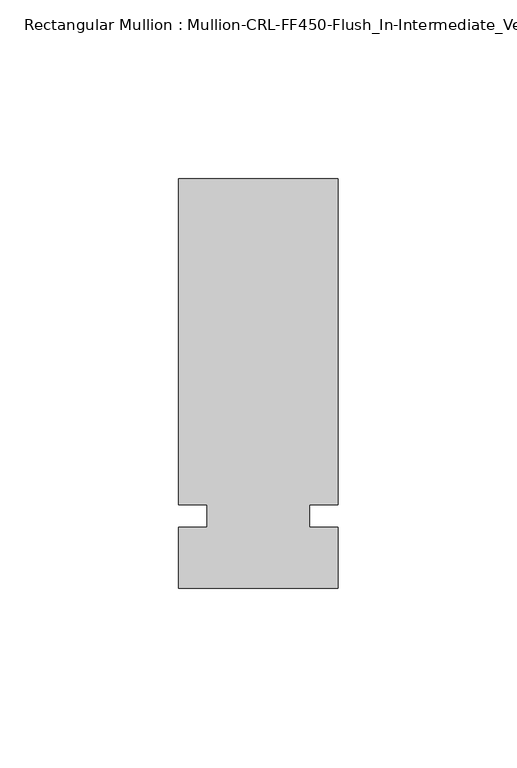
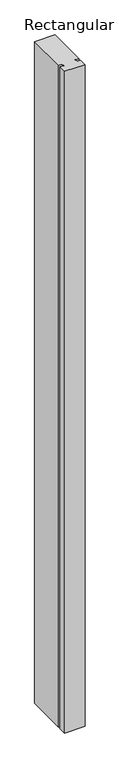
"""IFC4 building model written with IfcOpenShell, lengths in millimetres: member geometry, Rectangular Mullion : Mullion-CRL-FF450-Flush_In-Intermediate_Vertical."""

import ifcopenshell
import ifcopenshell.guid

model = None  # the IFC model being written
_history = None  # IfcOwnerHistory: only IFC2X3 demands one
_inside = {}  # id of a spatial element -> (the spatial element, [elements in it])
_under = {}  # id of a project, library or spatial element -> (it, [spatial elements below it])
_declared = {}  # id of a project -> (the project, [libraries it declares])
_typed = {}  # id of a type object -> (the type object, [elements of that type])
_made_of = {}  # id of a material, layer set ... -> (it, [elements and type objects made of it])


def new_model(schema):
    """Start an empty IFC model of exactly this schema.

    Asked for "IFC4X3", IfcOpenShell would pick the latest addendum, in which some entities
    have other attributes; the version numbers below select the first issue.
    IFC2X3 requires an IfcOwnerHistory on every rooted entity: one is made here for all.
    """
    global model, _history
    if schema == "IFC4X3":
        model = ifcopenshell.file(schema_version=(4, 3, 0, 0))
    else:
        model = ifcopenshell.file(schema=schema)
    _inside.clear()
    _under.clear()
    _declared.clear()
    _typed.clear()
    _made_of.clear()
    _history = None
    if model.schema == "IFC2X3":
        org = make("IfcOrganization", Name="unknown")
        user = make(
            "IfcPersonAndOrganization",
            ThePerson=make("IfcPerson", FamilyName="unknown"),
            TheOrganization=org,
        )
        app = make(
            "IfcApplication",
            ApplicationDeveloper=org,
            Version="unknown",
            ApplicationFullName="unknown",
            ApplicationIdentifier="unknown",
        )
        _history = make(
            "IfcOwnerHistory",
            OwningUser=user,
            OwningApplication=app,
            ChangeAction="ADDED",
            CreationDate=0,
        )
    return model


def make(cls, **values):
    """One entity of the class cls with the attributes given. An attribute that is None is left unset."""
    return model.create_entity(
        cls, **{name: value for name, value in values.items() if value is not None}
    )


def rooted(cls, **values):
    """An entity with a GlobalId (a new one), such as an element, a storey or a relation."""
    return make(cls, GlobalId=ifcopenshell.guid.new(), OwnerHistory=_history, **values)


def si_unit(unit_type, name, prefix=None):
    """IfcSIUnit, for example si_unit("LENGTHUNIT", "METRE", prefix="MILLI")."""
    return make("IfcSIUnit", UnitType=unit_type, Prefix=prefix, Name=name)


def assignment(units):
    """IfcUnitAssignment: the units of a project."""
    return None if units is None else make("IfcUnitAssignment", Units=units)


def point(xyz):
    """IfcCartesianPoint."""
    return None if xyz is None else make("IfcCartesianPoint", Coordinates=xyz)


def direction(xyz):
    """IfcDirection."""
    return None if xyz is None else make("IfcDirection", DirectionRatios=xyz)


def frame(location, z_axis=None, x_axis=None):
    """IfcAxis2Placement3D, a coordinate frame: its origin and axes. An axis left out is left unset."""
    return make(
        "IfcAxis2Placement3D",
        Location=point(location),
        Axis=direction(z_axis),
        RefDirection=direction(x_axis),
    )


def origin():
    """The frame at (0, 0, 0) with its axes left unset."""
    return frame((0.0, 0.0, 0.0))


def place(relative_to, where):
    """IfcLocalPlacement: puts the frame where relative to a parent placement (None: the world)."""
    return make(
        "IfcLocalPlacement", PlacementRelTo=relative_to, RelativePlacement=where
    )


def context(
    kind, dimensions, precision=None, world=None, true_north=None, identifier=None
):
    """IfcGeometricRepresentationContext, for example the 3D "Model" context."""
    return make(
        "IfcGeometricRepresentationContext",
        ContextIdentifier=identifier,
        ContextType=kind,
        CoordinateSpaceDimension=dimensions,
        Precision=precision,
        WorldCoordinateSystem=world,
        TrueNorth=true_north,
    )


def project(units=None, contexts=None):
    """IfcProject with its units and contexts."""
    return rooted(
        "IfcProject",
        Name="project",
        RepresentationContexts=contexts,
        UnitsInContext=assignment(units),
    )


def spatial(cls, under=None, at=None, **own):
    """A site, building, storey or space (cls), placed at a placement, below another one or the project."""
    s = rooted(cls, ObjectPlacement=at, **own)
    if under is not None:
        _under.setdefault(under.id(), (under, []))[1].append(s)
    return s


def polyline(points):
    """IfcPolyline through the points."""
    return make("IfcPolyline", Points=[point(p) for p in points])


def outline(outer, holes=None, kind="AREA"):
    """IfcArbitraryClosedProfileDef: a profile drawn as a closed curve; with holes, ...WithVoids."""
    if holes is None:
        return make("IfcArbitraryClosedProfileDef", ProfileType=kind, OuterCurve=outer)
    return make(
        "IfcArbitraryProfileDefWithVoids",
        ProfileType=kind,
        OuterCurve=outer,
        InnerCurves=holes,
    )


def extrude(swept, where, along, depth):
    """IfcExtrudedAreaSolid: the profile swept, set in the frame where, extruded along a direction by depth."""
    return make(
        "IfcExtrudedAreaSolid",
        SweptArea=swept,
        Position=where,
        ExtrudedDirection=direction(along),
        Depth=depth,
    )


def shape(context_of_items, identifier, shape_type, items):
    """IfcShapeRepresentation: the items that make up one representation, for example the "Body"."""
    return make(
        "IfcShapeRepresentation",
        ContextOfItems=context_of_items,
        RepresentationIdentifier=identifier,
        RepresentationType=shape_type,
        Items=items,
    )


def source(mapping_origin, context_of_items, identifier, shape_type, items):
    """IfcRepresentationMap: a shape defined once, which mapped items show again and again."""
    return make(
        "IfcRepresentationMap",
        MappingOrigin=mapping_origin,
        MappedRepresentation=shape(context_of_items, identifier, shape_type, items),
    )


def transform(
    local_origin,
    x_axis=None,
    y_axis=None,
    z_axis=None,
    scale=None,
    scale2=None,
    scale3=None,
    uniform=True,
):
    """IfcCartesianTransformationOperator3D, or its non-uniform kind. x_axis, y_axis, z_axis: its Axis1, 2, 3."""
    if uniform:
        return make(
            "IfcCartesianTransformationOperator3D",
            Axis1=direction(x_axis),
            Axis2=direction(y_axis),
            LocalOrigin=point(local_origin),
            Scale=scale,
            Axis3=direction(z_axis),
        )
    return make(
        "IfcCartesianTransformationOperator3DnonUniform",
        Axis1=direction(x_axis),
        Axis2=direction(y_axis),
        LocalOrigin=point(local_origin),
        Scale=scale,
        Axis3=direction(z_axis),
        Scale2=scale2,
        Scale3=scale3,
    )


def mapped(mapping_source, mapping_target):
    """IfcMappedItem: shows the shape of a source again, moved by a transform."""
    return make(
        "IfcMappedItem", MappingSource=mapping_source, MappingTarget=mapping_target
    )


def made_of(thing, what):
    """Note that an element or type object is made of a material, layer set ...; save() writes the relation."""
    if what is not None:
        _made_of.setdefault(what.id(), (what, []))[1].append(thing)
    return thing


def element(
    cls,
    number,
    at=None,
    inside=None,
    cuts=None,
    type_object=None,
    material=None,
    context=None,
    identifier="Body",
    shape_type=None,
    held_by="IfcProductDefinitionShape",
    body=None,
    shapes=None,
    **own,
):
    """One element of the class cls, such as IfcWall. Its Tag is "e" and its number.

    at: its placement. inside: the storey or other place that contains it. cuts: it is an
    opening in that element (IfcRelVoidsElement). A single representation is given by context,
    identifier, shape_type and body (its items); several are given by shapes. held_by: the class
    of the entity that holds the representations. save() writes the other relations.
    """
    e = rooted(cls, Tag="e%d" % number, ObjectPlacement=at, **own)
    if body is not None:
        shapes = [shape(context, identifier, shape_type, body)]
    if shapes is not None:
        e.Representation = make(held_by, Representations=shapes)
    if inside is not None:
        _inside.setdefault(inside.id(), (inside, []))[1].append(e)
    if cuts is not None:
        rooted(
            "IfcRelVoidsElement", RelatingBuildingElement=cuts, RelatedOpeningElement=e
        )
    if type_object is not None:
        _typed.setdefault(type_object.id(), (type_object, []))[1].append(e)
    return made_of(e, material)


def aggregate(whole, parts):
    """IfcRelAggregates: a whole, such as a stair, and the parts it consists of."""
    return rooted("IfcRelAggregates", RelatingObject=whole, RelatedObjects=parts)


def save(model, path):
    """Write the relations noted so far, then the file.

    IfcRelAggregates (storeys below a building ...), IfcRelContainedInSpatialStructure (elements
    in a storey), IfcRelDefinesByType, IfcRelAssociatesMaterial and IfcRelDeclares: one each for
    every whole, place, type object, material and project.
    """
    for whole, parts in _under.values():
        aggregate(whole, parts)
    for where, things in _inside.values():
        rooted(
            "IfcRelContainedInSpatialStructure",
            RelatedElements=things,
            RelatingStructure=where,
        )
    for kind, things in _typed.values():
        rooted("IfcRelDefinesByType", RelatedObjects=things, RelatingType=kind)
    for what, things in _made_of.values():
        rooted("IfcRelAssociatesMaterial", RelatedObjects=things, RelatingMaterial=what)
    for by, libraries in _declared.values():
        rooted("IfcRelDeclares", RelatingContext=by, RelatedDefinitions=libraries)
    model.write(path)


def rectangular_mullion_mullion_crl_ff450_flush_in_intermediate_c83cd4e4(model_context):
    return source(origin(), model_context, "Body", "SweptSolid", [
        extrude(outline(polyline([(-22.2250604, 3.1944088), (-22.2250604, 94.1780025), (22.2249797, 94.1780025), (22.2249797, 3.1944088), (14.2874797, 3.1944088), (14.2874797, -3.1555912), (22.2249797, -3.1555912), (22.2249797, -20.1219975), (-22.2250604, -20.1219975), (-22.2250604, -3.1555912), (-14.2875604, -3.1555912), (-14.2875604, 3.1944088), (-22.2250604, 3.1944088)])), frame((0.0, 0.0, -1538.2875), z_axis=(0.0, 0.0, 1.0), x_axis=(1.0, 0.0, 0.0)), (0.0, 0.0, 1.0), 1538.2875),
    ])


if __name__ == "__main__":
    model = new_model("IFC4")
    model_context = context("Model", 3, world=origin())
    ifc_project = project(units=[si_unit("LENGTHUNIT", "METRE", prefix="MILLI")], contexts=[model_context])
    site = spatial("IfcSite", under=ifc_project)
    building = spatial("IfcBuilding", under=site)
    placement = place(None, origin())
    rectangular_mullion_mullion_crl_ff450_flush_in_intermediate_shape = rectangular_mullion_mullion_crl_ff450_flush_in_intermediate_c83cd4e4(model_context)
    element("IfcMember", 1, ObjectType="Rectangular Mullion : Mullion-CRL-FF450-Flush_In-Intermediate_Vertical", at=placement, inside=building, context=model_context, shape_type="MappedRepresentation", body=[
        mapped(rectangular_mullion_mullion_crl_ff450_flush_in_intermediate_shape, transform((0.0, 0.0, 0.0), x_axis=(1.0, 0.0, 0.0), y_axis=(0.0, 1.0, 0.0), z_axis=(0.0, 0.0, 1.0))),
    ])
    save(model, "model.ifc")
